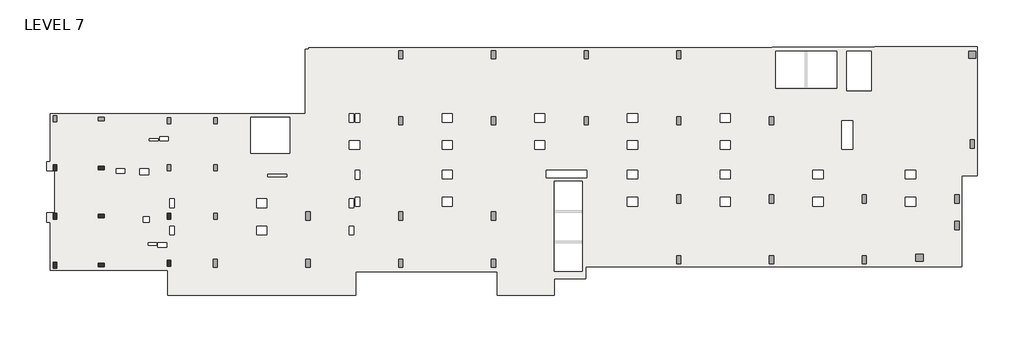
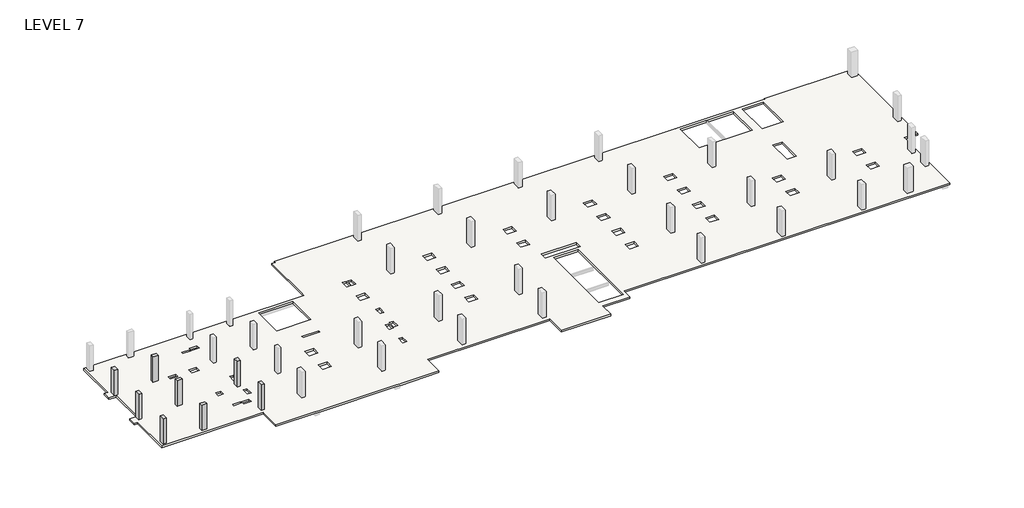
# One storey, part 1 of 2: 8 columns, 1 slab.
"""IFC4 building model written with IfcOpenShell, lengths in millimetres."""

import ifcopenshell
import ifcopenshell.guid

model = None  # the IFC model being written
_history = None  # IfcOwnerHistory: only IFC2X3 demands one
_inside = {}  # id of a spatial element -> (the spatial element, [elements in it])
_under = {}  # id of a project, library or spatial element -> (it, [spatial elements below it])
_declared = {}  # id of a project -> (the project, [libraries it declares])
_typed = {}  # id of a type object -> (the type object, [elements of that type])
_made_of = {}  # id of a material, layer set ... -> (it, [elements and type objects made of it])


def new_model(schema):
    """Start an empty IFC model of exactly this schema.

    Asked for "IFC4X3", IfcOpenShell would pick the latest addendum, in which some entities
    have other attributes; the version numbers below select the first issue.
    IFC2X3 requires an IfcOwnerHistory on every rooted entity: one is made here for all.
    """
    global model, _history
    if schema == "IFC4X3":
        model = ifcopenshell.file(schema_version=(4, 3, 0, 0))
    else:
        model = ifcopenshell.file(schema=schema)
    _inside.clear()
    _under.clear()
    _declared.clear()
    _typed.clear()
    _made_of.clear()
    _history = None
    if model.schema == "IFC2X3":
        org = make("IfcOrganization", Name="unknown")
        user = make(
            "IfcPersonAndOrganization",
            ThePerson=make("IfcPerson", FamilyName="unknown"),
            TheOrganization=org,
        )
        app = make(
            "IfcApplication",
            ApplicationDeveloper=org,
            Version="unknown",
            ApplicationFullName="unknown",
            ApplicationIdentifier="unknown",
        )
        _history = make(
            "IfcOwnerHistory",
            OwningUser=user,
            OwningApplication=app,
            ChangeAction="ADDED",
            CreationDate=0,
        )
    return model


def make(cls, **values):
    """One entity of the class cls with the attributes given. An attribute that is None is left unset."""
    return model.create_entity(
        cls, **{name: value for name, value in values.items() if value is not None}
    )


def rooted(cls, **values):
    """An entity with a GlobalId (a new one), such as an element, a storey or a relation."""
    return make(cls, GlobalId=ifcopenshell.guid.new(), OwnerHistory=_history, **values)


def si_unit(unit_type, name, prefix=None):
    """IfcSIUnit, for example si_unit("LENGTHUNIT", "METRE", prefix="MILLI")."""
    return make("IfcSIUnit", UnitType=unit_type, Prefix=prefix, Name=name)


def assignment(units):
    """IfcUnitAssignment: the units of a project."""
    return None if units is None else make("IfcUnitAssignment", Units=units)


def point(xyz):
    """IfcCartesianPoint."""
    return None if xyz is None else make("IfcCartesianPoint", Coordinates=xyz)


def direction(xyz):
    """IfcDirection."""
    return None if xyz is None else make("IfcDirection", DirectionRatios=xyz)


def frame(location, z_axis=None, x_axis=None):
    """IfcAxis2Placement3D, a coordinate frame: its origin and axes. An axis left out is left unset."""
    return make(
        "IfcAxis2Placement3D",
        Location=point(location),
        Axis=direction(z_axis),
        RefDirection=direction(x_axis),
    )


def origin():
    """The frame at (0, 0, 0) with its axes left unset."""
    return frame((0.0, 0.0, 0.0))


def place(relative_to, where):
    """IfcLocalPlacement: puts the frame where relative to a parent placement (None: the world)."""
    return make(
        "IfcLocalPlacement", PlacementRelTo=relative_to, RelativePlacement=where
    )


def context(
    kind, dimensions, precision=None, world=None, true_north=None, identifier=None
):
    """IfcGeometricRepresentationContext, for example the 3D "Model" context."""
    return make(
        "IfcGeometricRepresentationContext",
        ContextIdentifier=identifier,
        ContextType=kind,
        CoordinateSpaceDimension=dimensions,
        Precision=precision,
        WorldCoordinateSystem=world,
        TrueNorth=true_north,
    )


def project(units=None, contexts=None):
    """IfcProject with its units and contexts."""
    return rooted(
        "IfcProject",
        Name="project",
        RepresentationContexts=contexts,
        UnitsInContext=assignment(units),
    )


def spatial(cls, under=None, at=None, **own):
    """A site, building, storey or space (cls), placed at a placement, below another one or the project."""
    s = rooted(cls, ObjectPlacement=at, **own)
    if under is not None:
        _under.setdefault(under.id(), (under, []))[1].append(s)
    return s


def polyline(points):
    """IfcPolyline through the points."""
    return make("IfcPolyline", Points=[point(p) for p in points])


def outline(outer, holes=None, kind="AREA"):
    """IfcArbitraryClosedProfileDef: a profile drawn as a closed curve; with holes, ...WithVoids."""
    if holes is None:
        return make("IfcArbitraryClosedProfileDef", ProfileType=kind, OuterCurve=outer)
    return make(
        "IfcArbitraryProfileDefWithVoids",
        ProfileType=kind,
        OuterCurve=outer,
        InnerCurves=holes,
    )


def extrude(swept, where, along, depth):
    """IfcExtrudedAreaSolid: the profile swept, set in the frame where, extruded along a direction by depth."""
    return make(
        "IfcExtrudedAreaSolid",
        SweptArea=swept,
        Position=where,
        ExtrudedDirection=direction(along),
        Depth=depth,
    )


def faces_of(points, faces, orient=None, outer=None):
    """IfcFace entities. A face is a list of loops; a loop is a list of indices into points, from 0.

    orient and outer hold one flag for each loop. By default every Orientation is true, the
    first loop of a face is its IfcFaceOuterBound and the others are IfcFaceBound.
    """
    made = []
    for i, loops in enumerate(faces):
        bounds = []
        for j, loop in enumerate(loops):
            is_outer = j == 0 if outer is None else outer[i][j]
            bounds.append(
                make(
                    "IfcFaceOuterBound" if is_outer else "IfcFaceBound",
                    Bound=make("IfcPolyLoop", Polygon=[points[k] for k in loop]),
                    Orientation=True if orient is None else orient[i][j],
                )
            )
        made.append(make("IfcFace", Bounds=bounds))
    return made


def faceted_brep(points, faces, orient=None, outer=None, voids=None):
    """IfcFacetedBrep: a solid bounded by flat faces; with voids (closed shells), ...WithVoids."""
    shared = [point(p) for p in points]
    hull = make("IfcClosedShell", CfsFaces=faces_of(shared, faces, orient, outer))
    if voids is None:
        return make("IfcFacetedBrep", Outer=hull)
    return make(
        "IfcFacetedBrepWithVoids",
        Outer=hull,
        Voids=[
            make(cls, CfsFaces=faces_of(shared, fs, o, b)) for cls, fs, o, b in voids
        ],
    )


def shape(context_of_items, identifier, shape_type, items):
    """IfcShapeRepresentation: the items that make up one representation, for example the "Body"."""
    return make(
        "IfcShapeRepresentation",
        ContextOfItems=context_of_items,
        RepresentationIdentifier=identifier,
        RepresentationType=shape_type,
        Items=items,
    )


def made_of(thing, what):
    """Note that an element or type object is made of a material, layer set ...; save() writes the relation."""
    if what is not None:
        _made_of.setdefault(what.id(), (what, []))[1].append(thing)
    return thing


def element(
    cls,
    number,
    at=None,
    inside=None,
    cuts=None,
    type_object=None,
    material=None,
    context=None,
    identifier="Body",
    shape_type=None,
    held_by="IfcProductDefinitionShape",
    body=None,
    shapes=None,
    **own,
):
    """One element of the class cls, such as IfcWall. Its Tag is "e" and its number.

    at: its placement. inside: the storey or other place that contains it. cuts: it is an
    opening in that element (IfcRelVoidsElement). A single representation is given by context,
    identifier, shape_type and body (its items); several are given by shapes. held_by: the class
    of the entity that holds the representations. save() writes the other relations.
    """
    e = rooted(cls, Tag="e%d" % number, ObjectPlacement=at, **own)
    if body is not None:
        shapes = [shape(context, identifier, shape_type, body)]
    if shapes is not None:
        e.Representation = make(held_by, Representations=shapes)
    if inside is not None:
        _inside.setdefault(inside.id(), (inside, []))[1].append(e)
    if cuts is not None:
        rooted(
            "IfcRelVoidsElement", RelatingBuildingElement=cuts, RelatedOpeningElement=e
        )
    if type_object is not None:
        _typed.setdefault(type_object.id(), (type_object, []))[1].append(e)
    return made_of(e, material)


def aggregate(whole, parts):
    """IfcRelAggregates: a whole, such as a stair, and the parts it consists of."""
    return rooted("IfcRelAggregates", RelatingObject=whole, RelatedObjects=parts)


def save(model, path):
    """Write the relations noted so far, then the file.

    IfcRelAggregates (storeys below a building ...), IfcRelContainedInSpatialStructure (elements
    in a storey), IfcRelDefinesByType, IfcRelAssociatesMaterial and IfcRelDeclares: one each for
    every whole, place, type object, material and project.
    """
    for whole, parts in _under.values():
        aggregate(whole, parts)
    for where, things in _inside.values():
        rooted(
            "IfcRelContainedInSpatialStructure",
            RelatedElements=things,
            RelatingStructure=where,
        )
    for kind, things in _typed.values():
        rooted("IfcRelDefinesByType", RelatedObjects=things, RelatingType=kind)
    for what, things in _made_of.values():
        rooted("IfcRelAssociatesMaterial", RelatedObjects=things, RelatingMaterial=what)
    for by, libraries in _declared.values():
        rooted("IfcRelDeclares", RelatingContext=by, RelatedDefinitions=libraries)
    model.write(path)


model = new_model("IFC4")

# Units and contexts
model_context = context("Model", 3, world=origin())
ifc_project = project(units=[si_unit("LENGTHUNIT", "METRE", prefix="MILLI")], contexts=[model_context])

# Site, building, storey
site = spatial("IfcSite", under=ifc_project)
building = spatial("IfcBuilding", under=site)
storey = spatial("IfcBuildingStorey", under=building, Name="LEVEL 7", Elevation=21742.4)

# Columns
placement = place(None, origin())
element("IfcColumn", 1, ObjectType="UC Concrete-Rectangular-Column : 12 x 20", at=placement, inside=storey, context=model_context, shape_type="SweptSolid", body=[
    extrude(outline(polyline([(-12613.7610058, -25075.0962939), (-12613.7610058, -25583.0962939), (-12918.5610058, -25583.0962939), (-12918.5610058, -25075.0962939), (-12613.7610058, -25075.0962939)])), frame((0.0, 0.0, 21742.4), z_axis=(0.0, 0.0, 1.0), x_axis=(1.0, 0.0, 0.0)), (0.0, 0.0, 1.0), 2667.0),
])
element("IfcColumn", 2, ObjectType="UC Concrete-Rectangular-Column : 12 x 20", at=placement, inside=storey, context=model_context, shape_type="SweptSolid", body=[
    extrude(outline(polyline([(-9057.7610058, -25176.6962939), (-8549.7610058, -25176.6962939), (-8549.7610058, -25481.4962939), (-9057.7610058, -25481.4962939), (-9057.7610058, -25176.6962939)])), frame((0.0, 0.0, 21742.4), z_axis=(0.0, 0.0, 1.0), x_axis=(1.0, 0.0, 0.0)), (0.0, 0.0, 1.0), 2667.0),
])
element("IfcColumn", 3, ObjectType="UC Concrete-Rectangular-Column : 12 x 20", at=placement, inside=storey, context=model_context, shape_type="SweptSolid", body=[
    extrude(outline(polyline([(-12613.7610058, -29189.8962158), (-12613.7610058, -29697.8962158), (-12918.5610058, -29697.8962158), (-12918.5610058, -29189.8962158), (-12613.7610058, -29189.8962158)])), frame((0.0, 0.0, 21742.4), z_axis=(0.0, 0.0, 1.0), x_axis=(1.0, 0.0, 0.0)), (0.0, 0.0, 1.0), 2667.0),
])
element("IfcColumn", 4, ObjectType="UC Concrete-Rectangular-Column : 12 x 20", at=placement, inside=storey, context=model_context, shape_type="SweptSolid", body=[
    extrude(outline(polyline([(-8549.7610058, -29596.2962158), (-9057.7610058, -29596.2962158), (-9057.7610058, -29291.4962158), (-8549.7610058, -29291.4962158), (-8549.7610058, -29596.2962158)])), frame((0.0, 0.0, 21742.4), z_axis=(0.0, 0.0, 1.0), x_axis=(1.0, 0.0, 0.0)), (0.0, 0.0, 1.0), 2667.0),
])
element("IfcColumn", 5, ObjectType="UC Concrete-Rectangular-Column : 12 x 20", at=placement, inside=storey, context=model_context, shape_type="SweptSolid", body=[
    extrude(outline(polyline([(-12613.7610058, -33380.9107149), (-12613.7610058, -33888.9107149), (-12918.5610058, -33888.9107149), (-12918.5610058, -33380.9107149), (-12613.7610058, -33380.9107149)])), frame((0.0, 0.0, 21742.4), z_axis=(0.0, 0.0, 1.0), x_axis=(1.0, 0.0, 0.0)), (0.0, 0.0, 1.0), 2667.0),
])
element("IfcColumn", 6, ObjectType="UC Concrete-Rectangular-Column : 12 x 20", at=placement, inside=storey, context=model_context, shape_type="SweptSolid", body=[
    extrude(outline(polyline([(-9057.7610058, -33482.5107149), (-8549.7610058, -33482.5107149), (-8549.7610058, -33787.3107149), (-9057.7610058, -33787.3107149), (-9057.7610058, -33482.5107149)])), frame((0.0, 0.0, 21742.4), z_axis=(0.0, 0.0, 1.0), x_axis=(1.0, 0.0, 0.0)), (0.0, 0.0, 1.0), 2667.0),
])
element("IfcColumn", 7, ObjectType="UC Concrete-Rectangular-Column : 12 x 20", at=placement, inside=storey, context=model_context, shape_type="SweptSolid", body=[
    extrude(outline(polyline([(-2860.1610058, -29189.8962158), (-2860.1610058, -29697.8962158), (-3164.9610058, -29697.8962158), (-3164.9610058, -29189.8962158), (-2860.1610058, -29189.8962158)])), frame((0.0, 0.0, 21742.4), z_axis=(0.0, 0.0, 1.0), x_axis=(1.0, 0.0, 0.0)), (0.0, 0.0, 1.0), 2667.0),
])
element("IfcColumn", 8, ObjectType="UC Concrete-Rectangular-Column : 12 x 20", at=placement, inside=storey, context=model_context, shape_type="SweptSolid", body=[
    extrude(outline(polyline([(-2860.1610058, -33228.5107149), (-2860.1610058, -33736.5107149), (-3164.9610058, -33736.5107149), (-3164.9610058, -33228.5107149), (-2860.1610058, -33228.5107149)])), frame((0.0, 0.0, 21742.4), z_axis=(0.0, 0.0, 1.0), x_axis=(1.0, 0.0, 0.0)), (0.0, 0.0, 1.0), 2667.0),
])

# Slab
element("IfcSlab", 9, ObjectType="7\" Concrete", at=placement, inside=storey, context=model_context, shape_type="Brep", body=[
    faceted_brep([(57329.9014942, -15029.4107149, 21564.6), (57329.9014942, -14953.2107149, 21564.6), (66100.8383695, -14953.2107149, 21564.6), (66100.8383695, -25989.5107149, 21564.6), (64773.6889942, -25989.5107149, 21564.6), (64773.6889942, -33774.6107149, 21564.6), (32604.5889942, -33774.6107149, 21564.6), (32604.5889942, -34790.6107149, 21564.6), (29915.3639942, -34790.6107149, 21564.6), (29915.3639942, -36213.0107149, 21564.6), (25029.0393065, -36213.0107149, 21564.6), (25029.0393065, -34219.1107149, 21564.6), (12964.0386818, -34219.1107149, 21564.6), (12964.0386818, -36213.0107149, 21564.6), (9077.8389942, -36213.0107149, 21564.6), (8671.4389942, -36213.0107149, 21564.6), (1153.0389942, -36213.0107149, 21564.6), (746.6389942, -36213.0107149, 21564.6), (-3120.5110058, -36213.0107149, 21564.6), (-3120.5110058, -34060.3310305, 21564.6), (-13155.4513218, -34060.3310305, 21564.6), (-13155.4513218, -29958.2607149, 21564.6), (-13483.7110058, -29958.2607149, 21564.6), (-13483.7110058, -29183.5607149, 21564.6), (-12766.1169468, -29183.5607149, 21564.6), (-12766.1169468, -25589.4607149, 21564.6), (-13483.7110058, -25589.4607149, 21564.6), (-13483.7110058, -24814.7607149, 21564.6), (-13155.4513218, -24814.7607149, 21564.6), (-13155.4513218, -20712.6903994, 21564.6), (797.4389942, -20712.6903994, 21564.6), (8620.6389942, -20712.6903994, 21564.6), (8620.6389942, -15197.6857149, 21564.6), (8925.4389942, -15197.6857149, 21564.6), (8925.4389942, -15054.8107149, 21564.6), (48541.5014942, -15054.8107149, 21564.6), (48541.5014942, -15029.4107149, 21564.6), (54078.7014942, -15334.2107149, 21564.6), (48846.3014942, -15334.2107149, 21564.6), (48846.3014942, -18511.7121146, 21564.6), (54078.7014942, -18511.7121146, 21564.6), (29912.1889942, -34181.7272222, 21564.6), (32299.7889942, -34181.7272222, 21564.6), (32299.7889942, -26487.2692077, 21564.6), (29912.1889942, -26487.2692077, 21564.6), (3972.4389942, -21017.4903994, 21564.6), (3972.4389942, -24095.6232149, 21564.6), (7325.2389942, -24095.6232149, 21564.6), (7325.2389942, -21017.4903994, 21564.6), (57025.1014942, -15334.2107149, 21564.6), (54933.1413578, -15334.2107149, 21564.6), (54933.1413578, -18744.1607149, 21564.6), (57025.1014942, -18744.1607149, 21564.6), (29123.2162484, -20696.7857149, 21564.6), (28250.0617399, -20696.7857149, 21564.6), (28250.0617399, -21427.0315227, 21564.6), (29123.2162484, -21427.0315227, 21564.6), (29123.2329503, -23011.3607149, 21564.6), (28250.045038, -23011.3607149, 21564.6), (28250.045038, -23744.7857149, 21564.6), (29123.2329503, -23744.7857149, 21564.6), (37048.0162484, -20696.7857149, 21564.6), (36174.8617399, -20696.7857149, 21564.6), (36174.8617399, -21427.0315227, 21564.6), (37048.0162484, -21427.0315227, 21564.6), (37048.0329503, -23011.3607149, 21564.6), (36174.845038, -23011.3607149, 21564.6), (36174.845038, -23744.7857149, 21564.6), (37048.0329503, -23744.7857149, 21564.6), (37048.0329503, -25541.8357149, 21564.6), (36174.8784418, -25541.8357149, 21564.6), (36174.8784418, -26272.0815227, 21564.6), (37048.0329503, -26272.0815227, 21564.6), (37048.0496522, -27856.4107149, 21564.6), (36174.8617399, -27856.4107149, 21564.6), (36174.8617399, -28589.8357149, 21564.6), (37048.0496522, -28589.8357149, 21564.6), (44972.8162484, -20696.7857149, 21564.6), (44099.6617399, -20696.7857149, 21564.6), (44099.6617399, -21427.0315227, 21564.6), (44972.8162484, -21427.0315227, 21564.6), (44972.8329503, -23011.3607149, 21564.6), (44099.645038, -23011.3607149, 21564.6), (44099.645038, -23744.7857149, 21564.6), (44972.8329503, -23744.7857149, 21564.6), (44972.8329503, -25541.8357149, 21564.6), (44099.6784418, -25541.8357149, 21564.6), (44099.6784418, -26272.0815227, 21564.6), (44972.8329503, -26272.0815227, 21564.6), (44972.8496522, -27856.4107149, 21564.6), (44099.6617399, -27856.4107149, 21564.6), (44099.6617399, -28589.8357149, 21564.6), (44972.8496522, -28589.8357149, 21564.6), (55421.7306924, -21315.9107149, 21564.6), (54513.6767085, -21315.9107149, 21564.6), (54513.6767085, -23754.3107149, 21564.6), (55421.7306924, -23754.3107149, 21564.6), (52897.6329503, -25541.8357149, 21564.6), (52024.4784418, -25541.8357149, 21564.6), (52024.4784418, -26272.0815227, 21564.6), (52897.6329503, -26272.0815227, 21564.6), (52897.6496522, -27856.4107149, 21564.6), (52024.4617399, -27856.4107149, 21564.6), (52024.4617399, -28589.8357149, 21564.6), (52897.6496522, -28589.8357149, 21564.6), (60822.4329503, -25541.8357149, 21564.6), (59949.2784418, -25541.8357149, 21564.6), (59949.2784418, -26272.0815227, 21564.6), (60822.4329503, -26272.0815227, 21564.6), (60822.4496522, -27856.4107149, 21564.6), (59949.2617399, -27856.4107149, 21564.6), (59949.2617399, -28589.8357149, 21564.6), (60822.4496522, -28589.8357149, 21564.6), (21198.4162484, -20696.7857149, 21564.6), (20325.2617399, -20696.7857149, 21564.6), (20325.2617399, -21427.0315227, 21564.6), (21198.4162484, -21427.0315227, 21564.6), (21198.4329503, -23011.3607149, 21564.6), (20325.245038, -23011.3607149, 21564.6), (20325.245038, -23744.7857149, 21564.6), (21198.4329503, -23744.7857149, 21564.6), (21198.4329503, -25540.2600871, 21564.6), (20325.245038, -25540.2600871, 21564.6), (20325.245038, -26273.6850871, 21564.6), (21198.4329503, -26273.6850871, 21564.6), (21198.4329503, -27856.4247435, 21564.6), (20325.245038, -27856.4247435, 21564.6), (20325.245038, -28589.8497435, 21564.6), (21198.4329503, -28589.8497435, 21564.6), (13273.6162484, -23011.3747435, 21564.6), (12400.4283362, -23011.3747435, 21564.6), (12400.4283362, -23744.7997435, 21564.6), (13273.6162484, -23744.7997435, 21564.6), (13273.6329503, -25549.7872435, 21564.6), (12898.9511818, -25549.7872435, 21564.6), (12898.9511818, -26283.2122435, 21564.6), (13273.6329503, -26283.2122435, 21564.6), (13273.6329503, -27858.0306162, 21564.6), (12898.9511818, -27858.0306162, 21564.6), (12898.9511818, -28591.4556162, 21564.6), (13273.6329503, -28591.4556162, 21564.6), (12775.1350013, -27980.26602, 21564.6), (12400.4532328, -27980.26602, 21564.6), (12400.4532328, -28713.69102, 21564.6), (12775.1350013, -28713.69102, 21564.6), (12775.1350013, -30296.4143396, 21564.6), (12400.4532328, -30296.4143396, 21564.6), (12400.4532328, -31029.8393396, 21564.6), (12775.1350013, -31029.8393396, 21564.6), (5348.8159361, -30296.4143396, 21564.6), (4475.6620523, -30296.4143396, 21564.6), (4475.6620523, -31029.8393396, 21564.6), (5348.8159361, -31029.8393396, 21564.6), (-4736.5860058, -25391.0377141, 21564.6), (-5495.4110058, -25391.0377141, 21564.6), (-5495.4110058, -25894.3063579, 21564.6), (-4736.5860058, -25894.3063579, 21564.6), (-2575.9840639, -30297.9899072, 21564.6), (-2936.3610058, -30297.9899072, 21564.6), (-2936.3610058, -31028.2357149, 21564.6), (-2575.9840639, -31028.2357149, 21564.6), (-2575.9673621, -27980.2327488, 21564.6), (-2936.3610058, -27980.2327488, 21564.6), (-2936.3610058, -28713.6577488, 21564.6), (-2575.9673621, -28713.6577488, 21564.6), (-3955.5318136, -31734.6434324, 21564.6), (-3955.5318136, -32129.9453743, 21564.6), (-3212.5860058, -32129.9453743, 21564.6), (-3212.5860058, -31734.6434324, 21564.6), (-4809.6068136, -31744.9675477, 21564.6), (-4809.6068136, -31933.1120762, 21564.6), (-4050.7818136, -31933.1120762, 21564.6), (-4050.7818136, -31744.9675477, 21564.6), (13273.6245994, -20696.7857149, 21564.6), (12898.9428309, -20696.7857149, 21564.6), (12898.9428309, -21427.0315227, 21564.6), (13273.6245994, -21427.0315227, 21564.6), (12775.1351575, -20696.7857149, 21564.6), (12400.453389, -20696.7857149, 21564.6), (12400.453389, -21427.0315227, 21564.6), (12775.1351575, -21427.0315227, 21564.6), (-4685.7818136, -22839.9093537, 21564.6), (-4685.7818136, -23025.6779974, 21564.6), (-3926.9568136, -23025.6779974, 21564.6), (-3926.9568136, -22839.9093537, 21564.6), (-5207.5557798, -29505.837636, 21564.6), (-5207.5557798, -29980.4953131, 21564.6), (-4708.0110058, -29980.4953131, 21564.6), (-4708.0110058, -29505.837636, 21564.6), (29254.9639942, -25513.2607149, 21564.6), (29254.9639942, -26182.4692077, 21564.6), (32693.4889942, -26182.4692077, 21564.6), (32693.4889942, -25513.2607149, 21564.6), (7044.9556867, -25881.5621481, 21564.6), (5407.1871152, -25881.5621481, 21564.6), (5407.1871152, -26084.7621481, 21564.6), (7044.9556867, -26084.7621481, 21564.6), (5348.8159361, -27981.0375273, 21564.6), (4475.6620523, -27981.0375273, 21564.6), (4475.6620523, -28714.4625273, 21564.6), (5348.8159361, -28714.4625273, 21564.6), (-7516.3006019, -25401.3473693, 21564.6), (-7516.3006019, -25776.0291377, 21564.6), (-6782.8756019, -25776.0291377, 21564.6), (-6782.8756019, -25401.3473693, 21564.6), (-3826.9323811, -22647.0361423, 21564.6), (-3826.9323811, -23021.7179107, 21564.6), (-3093.5073811, -23021.7179107, 21564.6), (-3093.5073811, -22647.0361423, 21564.6), (57329.9014942, -14953.2107149, 21742.4), (57329.9014942, -15029.4107149, 21742.4), (48541.5014942, -15029.4107149, 21742.4), (48541.5014942, -15054.8107149, 21742.4), (8925.4389942, -15054.8107149, 21742.4), (8925.4389942, -15197.6857149, 21742.4), (8620.6389942, -15197.6857149, 21742.4), (8620.6389942, -20712.6903994, 21742.4), (-13155.4513218, -20712.6903994, 21742.4), (-13155.4513218, -24814.7607149, 21742.4), (-13483.7110058, -24814.7607149, 21742.4), (-13483.7110058, -25589.4607149, 21742.4), (-12766.1169468, -25589.4607149, 21742.4), (-12766.1169468, -29183.5607149, 21742.4), (-13483.7110058, -29183.5607149, 21742.4), (-13483.7110058, -29958.2607149, 21742.4), (-13155.4513218, -29958.2607149, 21742.4), (-13155.4513218, -34060.3310305, 21742.4), (-3120.5110058, -34060.3310305, 21742.4), (-3120.5110058, -36213.0107149, 21742.4), (12964.0386818, -36213.0107149, 21742.4), (12964.0386818, -34219.1107149, 21742.4), (25029.0393065, -34219.1107149, 21742.4), (25029.0393065, -36213.0107149, 21742.4), (29915.3639942, -36213.0107149, 21742.4), (29915.3639942, -34790.6107149, 21742.4), (32604.5889942, -34790.6107149, 21742.4), (32604.5889942, -33774.6107149, 21742.4), (64773.6889942, -33774.6107149, 21742.4), (64773.6889942, -25989.5107149, 21742.4), (66100.8383695, -25989.5107149, 21742.4), (66100.8383695, -14953.2107149, 21742.4), (48846.3014942, -15334.2107149, 21742.4), (54078.7014942, -15334.2107149, 21742.4), (54078.7014942, -18511.7121146, 21742.4), (48846.3014942, -18511.7121146, 21742.4), (32299.7889942, -34181.7272222, 21742.4), (29912.1889942, -34181.7272222, 21742.4), (29912.1889942, -26487.2692077, 21742.4), (32299.7889942, -26487.2692077, 21742.4), (3972.4389942, -24095.6232149, 21742.4), (3972.4389942, -21017.4903994, 21742.4), (7325.2389942, -21017.4903994, 21742.4), (7325.2389942, -24095.6232149, 21742.4), (54933.1413578, -15334.2107149, 21742.4), (57025.1014942, -15334.2107149, 21742.4), (57025.1014942, -18744.1607149, 21742.4), (54933.1413578, -18744.1607149, 21742.4), (28250.0617399, -20696.7857149, 21742.4), (29123.2162484, -20696.7857149, 21742.4), (29123.2162484, -21427.0315227, 21742.4), (28250.0617399, -21427.0315227, 21742.4), (28250.045038, -23011.3607149, 21742.4), (29123.2329503, -23011.3607149, 21742.4), (29123.2329503, -23744.7857149, 21742.4), (28250.045038, -23744.7857149, 21742.4), (36174.8617399, -20696.7857149, 21742.4), (37048.0162484, -20696.7857149, 21742.4), (37048.0162484, -21427.0315227, 21742.4), (36174.8617399, -21427.0315227, 21742.4), (36174.845038, -23011.3607149, 21742.4), (37048.0329503, -23011.3607149, 21742.4), (37048.0329503, -23744.7857149, 21742.4), (36174.845038, -23744.7857149, 21742.4), (36174.8784418, -25541.8357149, 21742.4), (37048.0329503, -25541.8357149, 21742.4), (37048.0329503, -26272.0815227, 21742.4), (36174.8784418, -26272.0815227, 21742.4), (36174.8617399, -27856.4107149, 21742.4), (37048.0496522, -27856.4107149, 21742.4), (37048.0496522, -28589.8357149, 21742.4), (36174.8617399, -28589.8357149, 21742.4), (44099.6617399, -20696.7857149, 21742.4), (44972.8162484, -20696.7857149, 21742.4), (44972.8162484, -21427.0315227, 21742.4), (44099.6617399, -21427.0315227, 21742.4), (44099.645038, -23011.3607149, 21742.4), (44972.8329503, -23011.3607149, 21742.4), (44972.8329503, -23744.7857149, 21742.4), (44099.645038, -23744.7857149, 21742.4), (44099.6784418, -25541.8357149, 21742.4), (44972.8329503, -25541.8357149, 21742.4), (44972.8329503, -26272.0815227, 21742.4), (44099.6784418, -26272.0815227, 21742.4), (44099.6617399, -27856.4107149, 21742.4), (44972.8496522, -27856.4107149, 21742.4), (44972.8496522, -28589.8357149, 21742.4), (44099.6617399, -28589.8357149, 21742.4), (54513.6767085, -21315.9107149, 21742.4), (55421.7306924, -21315.9107149, 21742.4), (55421.7306924, -23754.3107149, 21742.4), (54513.6767085, -23754.3107149, 21742.4), (52024.4784418, -25541.8357149, 21742.4), (52897.6329503, -25541.8357149, 21742.4), (52897.6329503, -26272.0815227, 21742.4), (52024.4784418, -26272.0815227, 21742.4), (52024.4617399, -27856.4107149, 21742.4), (52897.6496522, -27856.4107149, 21742.4), (52897.6496522, -28589.8357149, 21742.4), (52024.4617399, -28589.8357149, 21742.4), (59949.2784418, -25541.8357149, 21742.4), (60822.4329503, -25541.8357149, 21742.4), (60822.4329503, -26272.0815227, 21742.4), (59949.2784418, -26272.0815227, 21742.4), (59949.2617399, -27856.4107149, 21742.4), (60822.4496522, -27856.4107149, 21742.4), (60822.4496522, -28589.8357149, 21742.4), (59949.2617399, -28589.8357149, 21742.4), (20325.2617399, -20696.7857149, 21742.4), (21198.4162484, -20696.7857149, 21742.4), (21198.4162484, -21427.0315227, 21742.4), (20325.2617399, -21427.0315227, 21742.4), (20325.245038, -23011.3607149, 21742.4), (21198.4329503, -23011.3607149, 21742.4), (21198.4329503, -23744.7857149, 21742.4), (20325.245038, -23744.7857149, 21742.4), (20325.245038, -25540.2600871, 21742.4), (21198.4329503, -25540.2600871, 21742.4), (21198.4329503, -26273.6850871, 21742.4), (20325.245038, -26273.6850871, 21742.4), (20325.245038, -27856.4247435, 21742.4), (21198.4329503, -27856.4247435, 21742.4), (21198.4329503, -28589.8497435, 21742.4), (20325.245038, -28589.8497435, 21742.4), (12400.4283362, -23011.3747435, 21742.4), (13273.6162484, -23011.3747435, 21742.4), (13273.6162484, -23744.7997435, 21742.4), (12400.4283362, -23744.7997435, 21742.4), (12898.9511818, -25549.7872435, 21742.4), (13273.6329503, -25549.7872435, 21742.4), (13273.6329503, -26283.2122435, 21742.4), (12898.9511818, -26283.2122435, 21742.4), (12898.9511818, -27858.0306162, 21742.4), (13273.6329503, -27858.0306162, 21742.4), (13273.6329503, -28591.4556162, 21742.4), (12898.9511818, -28591.4556162, 21742.4), (12400.4532328, -27980.26602, 21742.4), (12775.1350013, -27980.26602, 21742.4), (12775.1350013, -28713.69102, 21742.4), (12400.4532328, -28713.69102, 21742.4), (12400.4532328, -30296.4143396, 21742.4), (12775.1350013, -30296.4143396, 21742.4), (12775.1350013, -31029.8393396, 21742.4), (12400.4532328, -31029.8393396, 21742.4), (4475.6620523, -30296.4143396, 21742.4), (5348.8159361, -30296.4143396, 21742.4), (5348.8159361, -31029.8393396, 21742.4), (4475.6620523, -31029.8393396, 21742.4), (-5495.4110058, -25391.0377141, 21742.4), (-4736.5860058, -25391.0377141, 21742.4), (-4736.5860058, -25894.3063579, 21742.4), (-5495.4110058, -25894.3063579, 21742.4), (-2936.3610058, -30297.9899072, 21742.4), (-2575.9840639, -30297.9899072, 21742.4), (-2575.9840639, -31028.2357149, 21742.4), (-2936.3610058, -31028.2357149, 21742.4), (-2936.3610058, -27980.2327488, 21742.4), (-2575.9673621, -27980.2327488, 21742.4), (-2575.9673621, -28713.6577488, 21742.4), (-2936.3610058, -28713.6577488, 21742.4), (-3955.5318136, -32129.9453743, 21742.4), (-3955.5318136, -31734.6434324, 21742.4), (-3212.5860058, -31734.6434324, 21742.4), (-3212.5860058, -32129.9453743, 21742.4), (-4809.6068136, -31933.1120762, 21742.4), (-4809.6068136, -31744.9675477, 21742.4), (-4050.7818136, -31744.9675477, 21742.4), (-4050.7818136, -31933.1120762, 21742.4), (12898.9428309, -20696.7857149, 21742.4), (13273.6245994, -20696.7857149, 21742.4), (13273.6245994, -21427.0315227, 21742.4), (12898.9428309, -21427.0315227, 21742.4), (12400.453389, -20696.7857149, 21742.4), (12775.1351575, -20696.7857149, 21742.4), (12775.1351575, -21427.0315227, 21742.4), (12400.453389, -21427.0315227, 21742.4), (-4685.7818136, -23025.6779974, 21742.4), (-4685.7818136, -22839.9093537, 21742.4), (-3926.9568136, -22839.9093537, 21742.4), (-3926.9568136, -23025.6779974, 21742.4), (-5207.5557798, -29980.4953131, 21742.4), (-5207.5557798, -29505.837636, 21742.4), (-4708.0110058, -29505.837636, 21742.4), (-4708.0110058, -29980.4953131, 21742.4), (29254.9639942, -26182.4692077, 21742.4), (29254.9639942, -25513.2607149, 21742.4), (32693.4889942, -25513.2607149, 21742.4), (32693.4889942, -26182.4692077, 21742.4), (5407.1871152, -25881.5621481, 21742.4), (7044.9556867, -25881.5621481, 21742.4), (7044.9556867, -26084.7621481, 21742.4), (5407.1871152, -26084.7621481, 21742.4), (4475.6620523, -27981.0375273, 21742.4), (5348.8159361, -27981.0375273, 21742.4), (5348.8159361, -28714.4625273, 21742.4), (4475.6620523, -28714.4625273, 21742.4), (-7516.3006019, -25776.0291377, 21742.4), (-7516.3006019, -25401.3473693, 21742.4), (-6782.8756019, -25401.3473693, 21742.4), (-6782.8756019, -25776.0291377, 21742.4), (-3826.9323811, -23021.7179107, 21742.4), (-3826.9323811, -22647.0361423, 21742.4), (-3093.5073811, -22647.0361423, 21742.4), (-3093.5073811, -23021.7179107, 21742.4)], [[[0, 1, 2, 3, 4, 5, 6, 7, 8, 9, 10, 11, 12, 13, 14, 15, 16, 17, 18, 19, 20, 21, 22, 23, 24, 25, 26, 27, 28, 29, 30, 31, 32, 33, 34, 35, 36], [37, 38, 39, 40], [41, 42, 43, 44], [45, 46, 47, 48], [49, 50, 51, 52], [53, 54, 55, 56], [57, 58, 59, 60], [61, 62, 63, 64], [65, 66, 67, 68], [69, 70, 71, 72], [73, 74, 75, 76], [77, 78, 79, 80], [81, 82, 83, 84], [85, 86, 87, 88], [89, 90, 91, 92], [93, 94, 95, 96], [97, 98, 99, 100], [101, 102, 103, 104], [105, 106, 107, 108], [109, 110, 111, 112], [113, 114, 115, 116], [117, 118, 119, 120], [121, 122, 123, 124], [125, 126, 127, 128], [129, 130, 131, 132], [133, 134, 135, 136], [137, 138, 139, 140], [141, 142, 143, 144], [145, 146, 147, 148], [149, 150, 151, 152], [153, 154, 155, 156], [157, 158, 159, 160], [161, 162, 163, 164], [165, 166, 167, 168], [169, 170, 171, 172], [173, 174, 175, 176], [177, 178, 179, 180], [181, 182, 183, 184], [185, 186, 187, 188], [189, 190, 191, 192], [193, 194, 195, 196], [197, 198, 199, 200], [201, 202, 203, 204], [205, 206, 207, 208]], [[209, 210, 211, 212, 213, 214, 215, 216, 217, 218, 219, 220, 221, 222, 223, 224, 225, 226, 227, 228, 229, 230, 231, 232, 233, 234, 235, 236, 237, 238, 239, 240], [241, 242, 243, 244], [245, 246, 247, 248], [249, 250, 251, 252], [253, 254, 255, 256], [257, 258, 259, 260], [261, 262, 263, 264], [265, 266, 267, 268], [269, 270, 271, 272], [273, 274, 275, 276], [277, 278, 279, 280], [281, 282, 283, 284], [285, 286, 287, 288], [289, 290, 291, 292], [293, 294, 295, 296], [297, 298, 299, 300], [301, 302, 303, 304], [305, 306, 307, 308], [309, 310, 311, 312], [313, 314, 315, 316], [317, 318, 319, 320], [321, 322, 323, 324], [325, 326, 327, 328], [329, 330, 331, 332], [333, 334, 335, 336], [337, 338, 339, 340], [341, 342, 343, 344], [345, 346, 347, 348], [349, 350, 351, 352], [353, 354, 355, 356], [357, 358, 359, 360], [361, 362, 363, 364], [365, 366, 367, 368], [369, 370, 371, 372], [373, 374, 375, 376], [377, 378, 379, 380], [381, 382, 383, 384], [385, 386, 387, 388], [389, 390, 391, 392], [393, 394, 395, 396], [397, 398, 399, 400], [401, 402, 403, 404], [405, 406, 407, 408], [409, 410, 411, 412]], [[37, 242, 241, 38]], [[38, 241, 244, 39]], [[39, 244, 243, 40]], [[242, 37, 40, 243]], [[41, 246, 245, 42]], [[42, 245, 248, 43]], [[43, 248, 247, 44]], [[246, 41, 44, 247]], [[249, 46, 45, 250]], [[46, 249, 252, 47]], [[47, 252, 251, 48]], [[49, 254, 253, 50]], [[50, 253, 256, 51]], [[51, 256, 255, 52]], [[254, 49, 52, 255]], [[53, 258, 257, 54]], [[54, 257, 260, 55]], [[55, 260, 259, 56]], [[258, 53, 56, 259]], [[57, 262, 261, 58]], [[58, 261, 264, 59]], [[59, 264, 263, 60]], [[262, 57, 60, 263]], [[61, 266, 265, 62]], [[62, 265, 268, 63]], [[63, 268, 267, 64]], [[266, 61, 64, 267]], [[65, 270, 269, 66]], [[66, 269, 272, 67]], [[67, 272, 271, 68]], [[270, 65, 68, 271]], [[69, 274, 273, 70]], [[70, 273, 276, 71]], [[71, 276, 275, 72]], [[274, 69, 72, 275]], [[73, 278, 277, 74]], [[74, 277, 280, 75]], [[75, 280, 279, 76]], [[278, 73, 76, 279]], [[77, 282, 281, 78]], [[78, 281, 284, 79]], [[79, 284, 283, 80]], [[282, 77, 80, 283]], [[81, 286, 285, 82]], [[82, 285, 288, 83]], [[83, 288, 287, 84]], [[286, 81, 84, 287]], [[85, 290, 289, 86]], [[86, 289, 292, 87]], [[87, 292, 291, 88]], [[290, 85, 88, 291]], [[89, 294, 293, 90]], [[90, 293, 296, 91]], [[91, 296, 295, 92]], [[294, 89, 92, 295]], [[93, 298, 297, 94]], [[94, 297, 300, 95]], [[95, 300, 299, 96]], [[298, 93, 96, 299]], [[97, 302, 301, 98]], [[98, 301, 304, 99]], [[99, 304, 303, 100]], [[302, 97, 100, 303]], [[101, 306, 305, 102]], [[102, 305, 308, 103]], [[103, 308, 307, 104]], [[306, 101, 104, 307]], [[105, 310, 309, 106]], [[106, 309, 312, 107]], [[107, 312, 311, 108]], [[310, 105, 108, 311]], [[109, 314, 313, 110]], [[110, 313, 316, 111]], [[111, 316, 315, 112]], [[314, 109, 112, 315]], [[113, 318, 317, 114]], [[114, 317, 320, 115]], [[115, 320, 319, 116]], [[318, 113, 116, 319]], [[117, 322, 321, 118]], [[118, 321, 324, 119]], [[119, 324, 323, 120]], [[322, 117, 120, 323]], [[121, 326, 325, 122]], [[122, 325, 328, 123]], [[123, 328, 327, 124]], [[326, 121, 124, 327]], [[125, 330, 329, 126]], [[126, 329, 332, 127]], [[127, 332, 331, 128]], [[330, 125, 128, 331]], [[129, 334, 333, 130]], [[130, 333, 336, 131]], [[131, 336, 335, 132]], [[334, 129, 132, 335]], [[133, 338, 337, 134]], [[134, 337, 340, 135]], [[135, 340, 339, 136]], [[338, 133, 136, 339]], [[137, 342, 341, 138]], [[138, 341, 344, 139]], [[139, 344, 343, 140]], [[342, 137, 140, 343]], [[141, 346, 345, 142]], [[142, 345, 348, 143]], [[143, 348, 347, 144]], [[346, 141, 144, 347]], [[145, 350, 349, 146]], [[146, 349, 352, 147]], [[147, 352, 351, 148]], [[350, 145, 148, 351]], [[149, 354, 353, 150]], [[150, 353, 356, 151]], [[151, 356, 355, 152]], [[354, 149, 152, 355]], [[197, 402, 401, 198]], [[198, 401, 404, 199]], [[199, 404, 403, 200]], [[402, 197, 200, 403]], [[153, 358, 357, 154]], [[154, 357, 360, 155]], [[155, 360, 359, 156]], [[358, 153, 156, 359]], [[157, 362, 361, 158]], [[158, 361, 364, 159]], [[159, 364, 363, 160]], [[362, 157, 160, 363]], [[161, 366, 365, 162]], [[162, 365, 368, 163]], [[163, 368, 367, 164]], [[366, 161, 164, 367]], [[165, 370, 369, 166]], [[166, 369, 372, 167]], [[167, 372, 371, 168]], [[370, 165, 168, 371]], [[201, 406, 405, 202]], [[202, 405, 408, 203]], [[203, 408, 407, 204]], [[406, 201, 204, 407]], [[205, 410, 409, 206]], [[206, 409, 412, 207]], [[207, 412, 411, 208]], [[410, 205, 208, 411]], [[169, 374, 373, 170]], [[170, 373, 376, 171]], [[171, 376, 375, 172]], [[374, 169, 172, 375]], [[173, 378, 377, 174]], [[174, 377, 380, 175]], [[175, 380, 379, 176]], [[378, 173, 176, 379]], [[177, 382, 381, 178]], [[178, 381, 384, 179]], [[179, 384, 383, 180]], [[382, 177, 180, 383]], [[181, 386, 385, 182]], [[182, 385, 388, 183]], [[183, 388, 387, 184]], [[386, 181, 184, 387]], [[185, 390, 389, 186]], [[186, 389, 392, 187]], [[187, 392, 391, 188]], [[390, 185, 188, 391]], [[189, 394, 393, 190]], [[190, 393, 396, 191]], [[191, 396, 395, 192]], [[394, 189, 192, 395]], [[193, 398, 397, 194]], [[194, 397, 400, 195]], [[195, 400, 399, 196]], [[398, 193, 196, 399]], [[1, 0, 210, 209]], [[2, 1, 209, 240]], [[3, 2, 240, 239]], [[4, 3, 239, 238]], [[5, 4, 238, 237]], [[6, 5, 237, 236]], [[7, 6, 236, 235]], [[8, 7, 235, 234]], [[9, 8, 234, 233]], [[10, 9, 233, 232]], [[11, 10, 232, 231]], [[12, 11, 231, 230]], [[13, 12, 230, 229]], [[18, 17, 16, 15, 14, 13, 229, 228]], [[19, 18, 228, 227]], [[20, 19, 227, 226]], [[21, 20, 226, 225]], [[22, 21, 225, 224]], [[23, 22, 224, 223]], [[24, 23, 223, 222]], [[25, 24, 222, 221]], [[26, 25, 221, 220]], [[27, 26, 220, 219]], [[28, 27, 219, 218]], [[29, 28, 218, 217]], [[31, 30, 29, 217, 216]], [[32, 31, 216, 215]], [[33, 32, 215, 214]], [[34, 33, 214, 213]], [[35, 34, 213, 212]], [[36, 35, 212, 211]], [[0, 36, 211, 210]], [[250, 45, 48, 251]]]),
])

save(model, "model.ifc")
